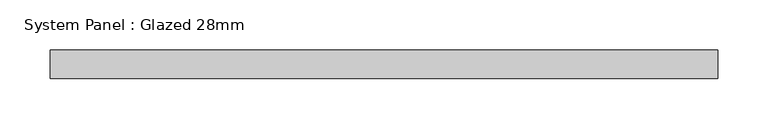
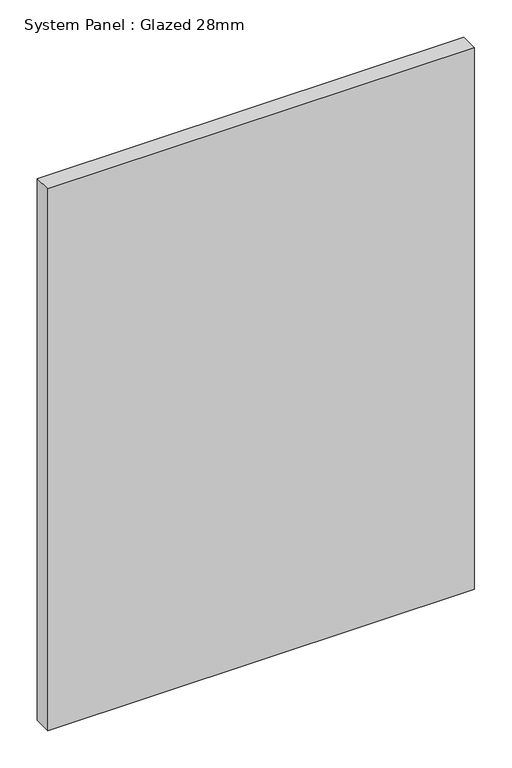
"""IFC4 building model written with IfcOpenShell, lengths in millimetres: plate geometry, System Panel : Glazed 28mm."""

from ifc_helpers import new_model, si_unit, origin, origin_with_axes, place, context, project, spatial, polyline, outline, extrude, source, transform, mapped, element, save


def system_panel_glazed_28mm_324ef6ea(model_context):
    return source(origin(), model_context, "Body", "SweptSolid", [
        extrude(outline(polyline([(330.5994055, -14.0), (-330.5994055, -14.0), (-330.5994055, 14.0), (330.5994055, 14.0), (330.5994055, -14.0)])), origin_with_axes(), (0.0, 0.0, 1.0), 887.7030894),
    ])


if __name__ == "__main__":
    model = new_model("IFC4")
    model_context = context("Model", 3, world=origin())
    ifc_project = project(units=[si_unit("LENGTHUNIT", "METRE", prefix="MILLI")], contexts=[model_context])
    site = spatial("IfcSite", under=ifc_project)
    building = spatial("IfcBuilding", under=site)
    placement = place(None, origin())
    system_panel_glazed_28mm_shape = system_panel_glazed_28mm_324ef6ea(model_context)
    element("IfcPlate", 1, ObjectType="System Panel : Glazed 28mm", at=placement, inside=building, context=model_context, shape_type="MappedRepresentation", body=[
        mapped(system_panel_glazed_28mm_shape, transform((0.0, 0.0, 0.0), x_axis=(1.0, 0.0, 0.0), y_axis=(0.0, 1.0, 0.0), z_axis=(0.0, 0.0, 1.0))),
    ])
    save(model, "model.ifc")
